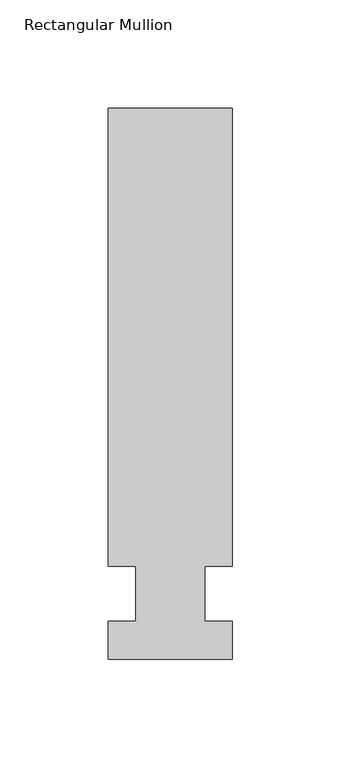
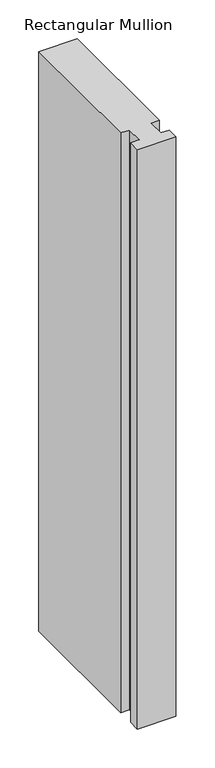
"""IFC4 building model written with IfcOpenShell, lengths in millimetres: member geometry, Rectangular Mullion."""

from ifc_helpers import new_model, si_unit, frame, origin, place, context, project, spatial, polyline, outline, extrude, source, transform, mapped, element, save


def rectangular_mullion_0aaec165(model_context):
    return source(origin(), model_context, "Body", "SweptSolid", [
        extrude(outline(polyline([(28.575, 223.8375), (28.575, 12.7), (15.8732296, 12.7), (15.8732296, -12.7), (28.575, -12.7), (28.575, -30.1625), (-28.575, -30.1625), (-28.575, -12.7), (-15.875, -12.7), (-15.875, 12.7), (-28.575, 12.7), (-28.575, 223.8375), (28.575, 223.8375)])), frame((0.0, 0.0, -911.225), z_axis=(0.0, 0.0, 1.0), x_axis=(1.0, 0.0, 0.0)), (0.0, 0.0, 1.0), 911.225),
    ])


if __name__ == "__main__":
    model = new_model("IFC4")
    model_context = context("Model", 3, world=origin())
    ifc_project = project(units=[si_unit("LENGTHUNIT", "METRE", prefix="MILLI")], contexts=[model_context])
    site = spatial("IfcSite", under=ifc_project)
    building = spatial("IfcBuilding", under=site)
    placement = place(None, origin())
    rectangular_mullion_shape = rectangular_mullion_0aaec165(model_context)
    element("IfcMember", 1, ObjectType="Rectangular Mullion", at=placement, inside=building, context=model_context, shape_type="MappedRepresentation", body=[
        mapped(rectangular_mullion_shape, transform((0.0, 0.0, 0.0), x_axis=(1.0, 0.0, 0.0), y_axis=(0.0, 1.0, 0.0), z_axis=(0.0, 0.0, 1.0))),
    ])
    save(model, "model.ifc")
